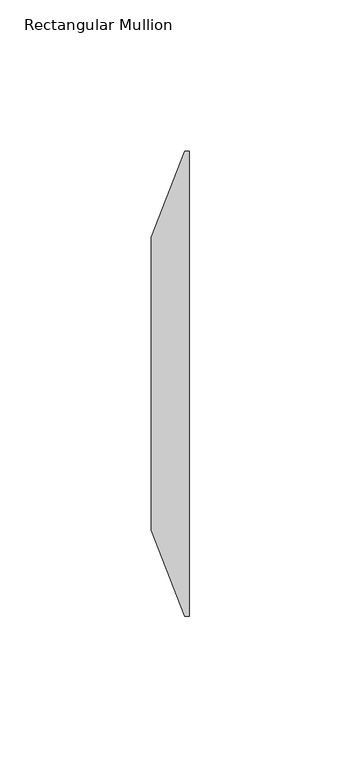
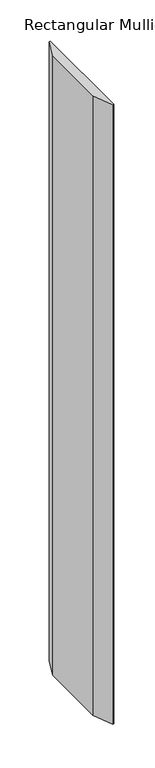
"""IFC4 building model written with IfcOpenShell, lengths in millimetres: member geometry, Rectangular Mullion."""

from ifc_helpers import new_model, si_unit, frame, origin, place, context, project, spatial, polyline, outline, extrude, source, transform, mapped, element, save


def rectangular_mullion_3894e716(model_context):
    return source(origin(), model_context, "Body", "SweptSolid", [
        extrude(outline(polyline([(0.0, -66.675), (-1.5875, -66.675), (-12.7, -38.1), (-12.7, 58.7375), (-1.5875, 87.3125), (0.0, 87.3125), (0.0, -66.675)])), frame((0.0, 0.0, -917.575), z_axis=(0.0, 0.0, 1.0), x_axis=(1.0, 0.0, 0.0)), (0.0, 0.0, 1.0), 917.575),
    ])


if __name__ == "__main__":
    model = new_model("IFC4")
    model_context = context("Model", 3, world=origin())
    ifc_project = project(units=[si_unit("LENGTHUNIT", "METRE", prefix="MILLI")], contexts=[model_context])
    site = spatial("IfcSite", under=ifc_project)
    building = spatial("IfcBuilding", under=site)
    placement = place(None, origin())
    rectangular_mullion_shape = rectangular_mullion_3894e716(model_context)
    element("IfcMember", 1, ObjectType="Rectangular Mullion", at=placement, inside=building, context=model_context, shape_type="MappedRepresentation", body=[
        mapped(rectangular_mullion_shape, transform((0.0, 0.0, 0.0), x_axis=(1.0, 0.0, 0.0), y_axis=(0.0, 1.0, 0.0), z_axis=(0.0, 0.0, 1.0))),
    ])
    save(model, "model.ifc")
